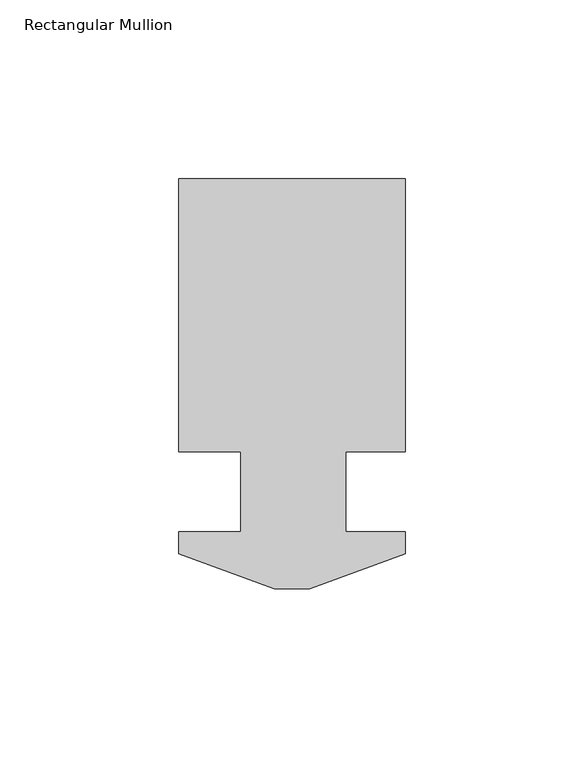
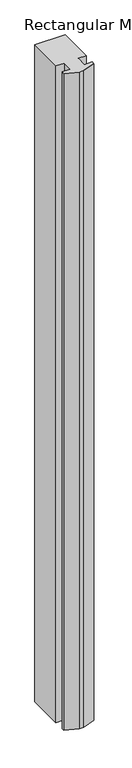
"""IFC4 building model written with IfcOpenShell, lengths in millimetres: member geometry, Rectangular Mullion."""

from ifc_helpers import new_model, si_unit, frame, origin, place, context, project, spatial, polyline, outline, extrude, source, transform, mapped, element, save


def rectangular_mullion_3aca4368(model_context):
    return source(origin(), model_context, "Body", "SweptSolid", [
        extrude(outline(polyline([(4.9272021, 0.168275), (-4.9772064, 0.168275), (-31.7750021, 9.921875), (-31.7750021, 16.017875), (-14.2875, 16.017875), (-14.2875, 38.496875), (-31.75, 38.496875), (-31.75, 115.027075), (31.75, 115.027075), (31.75, 38.496875), (15.065769, 38.496875), (15.065769, 16.017875), (31.7249979, 16.017875), (31.7249979, 9.921875), (4.9272021, 0.168275)])), frame((0.0, 0.0, -1460.5), z_axis=(0.0, 0.0, 1.0), x_axis=(1.0, 0.0, 0.0)), (0.0, 0.0, 1.0), 1460.5),
    ])


if __name__ == "__main__":
    model = new_model("IFC4")
    model_context = context("Model", 3, world=origin())
    ifc_project = project(units=[si_unit("LENGTHUNIT", "METRE", prefix="MILLI")], contexts=[model_context])
    site = spatial("IfcSite", under=ifc_project)
    building = spatial("IfcBuilding", under=site)
    placement = place(None, origin())
    rectangular_mullion_shape = rectangular_mullion_3aca4368(model_context)
    element("IfcMember", 1, ObjectType="Rectangular Mullion", at=placement, inside=building, context=model_context, shape_type="MappedRepresentation", body=[
        mapped(rectangular_mullion_shape, transform((0.0, 0.0, 0.0), x_axis=(1.0, 0.0, 0.0), y_axis=(0.0, 1.0, 0.0), z_axis=(0.0, 0.0, 1.0))),
    ])
    save(model, "model.ifc")
